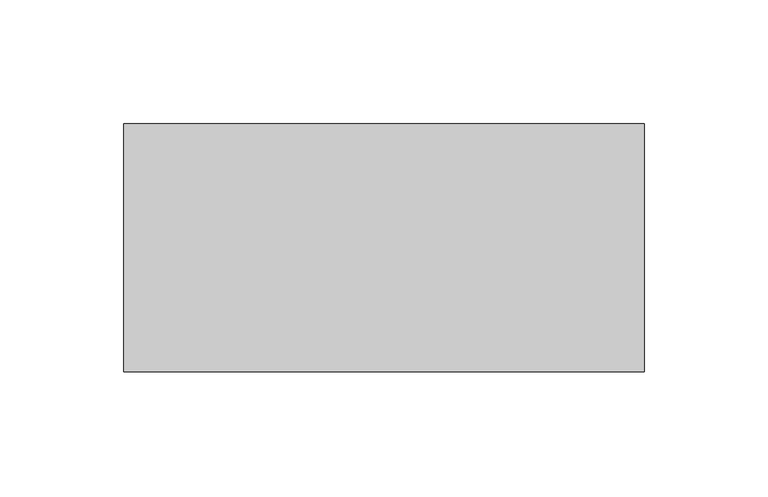
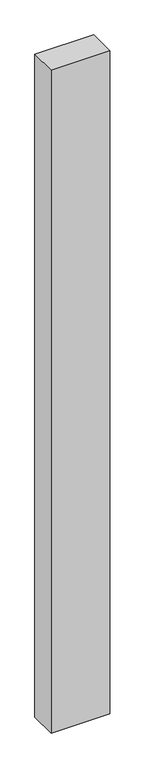
"""IFC4 building model written with IfcOpenShell, lengths in millimetres: proxy geometry."""

import ifcopenshell
import ifcopenshell.guid

model = None  # the IFC model being written
_history = None  # IfcOwnerHistory: only IFC2X3 demands one
_inside = {}  # id of a spatial element -> (the spatial element, [elements in it])
_under = {}  # id of a project, library or spatial element -> (it, [spatial elements below it])
_declared = {}  # id of a project -> (the project, [libraries it declares])
_typed = {}  # id of a type object -> (the type object, [elements of that type])
_made_of = {}  # id of a material, layer set ... -> (it, [elements and type objects made of it])


def new_model(schema):
    """Start an empty IFC model of exactly this schema.

    Asked for "IFC4X3", IfcOpenShell would pick the latest addendum, in which some entities
    have other attributes; the version numbers below select the first issue.
    IFC2X3 requires an IfcOwnerHistory on every rooted entity: one is made here for all.
    """
    global model, _history
    if schema == "IFC4X3":
        model = ifcopenshell.file(schema_version=(4, 3, 0, 0))
    else:
        model = ifcopenshell.file(schema=schema)
    _inside.clear()
    _under.clear()
    _declared.clear()
    _typed.clear()
    _made_of.clear()
    _history = None
    if model.schema == "IFC2X3":
        org = make("IfcOrganization", Name="unknown")
        user = make(
            "IfcPersonAndOrganization",
            ThePerson=make("IfcPerson", FamilyName="unknown"),
            TheOrganization=org,
        )
        app = make(
            "IfcApplication",
            ApplicationDeveloper=org,
            Version="unknown",
            ApplicationFullName="unknown",
            ApplicationIdentifier="unknown",
        )
        _history = make(
            "IfcOwnerHistory",
            OwningUser=user,
            OwningApplication=app,
            ChangeAction="ADDED",
            CreationDate=0,
        )
    return model


def make(cls, **values):
    """One entity of the class cls with the attributes given. An attribute that is None is left unset."""
    return model.create_entity(
        cls, **{name: value for name, value in values.items() if value is not None}
    )


def rooted(cls, **values):
    """An entity with a GlobalId (a new one), such as an element, a storey or a relation."""
    return make(cls, GlobalId=ifcopenshell.guid.new(), OwnerHistory=_history, **values)


def si_unit(unit_type, name, prefix=None):
    """IfcSIUnit, for example si_unit("LENGTHUNIT", "METRE", prefix="MILLI")."""
    return make("IfcSIUnit", UnitType=unit_type, Prefix=prefix, Name=name)


def assignment(units):
    """IfcUnitAssignment: the units of a project."""
    return None if units is None else make("IfcUnitAssignment", Units=units)


def point(xyz):
    """IfcCartesianPoint."""
    return None if xyz is None else make("IfcCartesianPoint", Coordinates=xyz)


def direction(xyz):
    """IfcDirection."""
    return None if xyz is None else make("IfcDirection", DirectionRatios=xyz)


def frame(location, z_axis=None, x_axis=None):
    """IfcAxis2Placement3D, a coordinate frame: its origin and axes. An axis left out is left unset."""
    return make(
        "IfcAxis2Placement3D",
        Location=point(location),
        Axis=direction(z_axis),
        RefDirection=direction(x_axis),
    )


def origin():
    """The frame at (0, 0, 0) with its axes left unset."""
    return frame((0.0, 0.0, 0.0))


def place(relative_to, where):
    """IfcLocalPlacement: puts the frame where relative to a parent placement (None: the world)."""
    return make(
        "IfcLocalPlacement", PlacementRelTo=relative_to, RelativePlacement=where
    )


def context(
    kind, dimensions, precision=None, world=None, true_north=None, identifier=None
):
    """IfcGeometricRepresentationContext, for example the 3D "Model" context."""
    return make(
        "IfcGeometricRepresentationContext",
        ContextIdentifier=identifier,
        ContextType=kind,
        CoordinateSpaceDimension=dimensions,
        Precision=precision,
        WorldCoordinateSystem=world,
        TrueNorth=true_north,
    )


def project(units=None, contexts=None):
    """IfcProject with its units and contexts."""
    return rooted(
        "IfcProject",
        Name="project",
        RepresentationContexts=contexts,
        UnitsInContext=assignment(units),
    )


def spatial(cls, under=None, at=None, **own):
    """A site, building, storey or space (cls), placed at a placement, below another one or the project."""
    s = rooted(cls, ObjectPlacement=at, **own)
    if under is not None:
        _under.setdefault(under.id(), (under, []))[1].append(s)
    return s


def polyline(points):
    """IfcPolyline through the points."""
    return make("IfcPolyline", Points=[point(p) for p in points])


def outline(outer, holes=None, kind="AREA"):
    """IfcArbitraryClosedProfileDef: a profile drawn as a closed curve; with holes, ...WithVoids."""
    if holes is None:
        return make("IfcArbitraryClosedProfileDef", ProfileType=kind, OuterCurve=outer)
    return make(
        "IfcArbitraryProfileDefWithVoids",
        ProfileType=kind,
        OuterCurve=outer,
        InnerCurves=holes,
    )


def extrude(swept, where, along, depth):
    """IfcExtrudedAreaSolid: the profile swept, set in the frame where, extruded along a direction by depth."""
    return make(
        "IfcExtrudedAreaSolid",
        SweptArea=swept,
        Position=where,
        ExtrudedDirection=direction(along),
        Depth=depth,
    )


def shape(context_of_items, identifier, shape_type, items):
    """IfcShapeRepresentation: the items that make up one representation, for example the "Body"."""
    return make(
        "IfcShapeRepresentation",
        ContextOfItems=context_of_items,
        RepresentationIdentifier=identifier,
        RepresentationType=shape_type,
        Items=items,
    )


def source(mapping_origin, context_of_items, identifier, shape_type, items):
    """IfcRepresentationMap: a shape defined once, which mapped items show again and again."""
    return make(
        "IfcRepresentationMap",
        MappingOrigin=mapping_origin,
        MappedRepresentation=shape(context_of_items, identifier, shape_type, items),
    )


def transform(
    local_origin,
    x_axis=None,
    y_axis=None,
    z_axis=None,
    scale=None,
    scale2=None,
    scale3=None,
    uniform=True,
):
    """IfcCartesianTransformationOperator3D, or its non-uniform kind. x_axis, y_axis, z_axis: its Axis1, 2, 3."""
    if uniform:
        return make(
            "IfcCartesianTransformationOperator3D",
            Axis1=direction(x_axis),
            Axis2=direction(y_axis),
            LocalOrigin=point(local_origin),
            Scale=scale,
            Axis3=direction(z_axis),
        )
    return make(
        "IfcCartesianTransformationOperator3DnonUniform",
        Axis1=direction(x_axis),
        Axis2=direction(y_axis),
        LocalOrigin=point(local_origin),
        Scale=scale,
        Axis3=direction(z_axis),
        Scale2=scale2,
        Scale3=scale3,
    )


def mapped(mapping_source, mapping_target):
    """IfcMappedItem: shows the shape of a source again, moved by a transform."""
    return make(
        "IfcMappedItem", MappingSource=mapping_source, MappingTarget=mapping_target
    )


def made_of(thing, what):
    """Note that an element or type object is made of a material, layer set ...; save() writes the relation."""
    if what is not None:
        _made_of.setdefault(what.id(), (what, []))[1].append(thing)
    return thing


def element(
    cls,
    number,
    at=None,
    inside=None,
    cuts=None,
    type_object=None,
    material=None,
    context=None,
    identifier="Body",
    shape_type=None,
    held_by="IfcProductDefinitionShape",
    body=None,
    shapes=None,
    **own,
):
    """One element of the class cls, such as IfcWall. Its Tag is "e" and its number.

    at: its placement. inside: the storey or other place that contains it. cuts: it is an
    opening in that element (IfcRelVoidsElement). A single representation is given by context,
    identifier, shape_type and body (its items); several are given by shapes. held_by: the class
    of the entity that holds the representations. save() writes the other relations.
    """
    e = rooted(cls, Tag="e%d" % number, ObjectPlacement=at, **own)
    if body is not None:
        shapes = [shape(context, identifier, shape_type, body)]
    if shapes is not None:
        e.Representation = make(held_by, Representations=shapes)
    if inside is not None:
        _inside.setdefault(inside.id(), (inside, []))[1].append(e)
    if cuts is not None:
        rooted(
            "IfcRelVoidsElement", RelatingBuildingElement=cuts, RelatedOpeningElement=e
        )
    if type_object is not None:
        _typed.setdefault(type_object.id(), (type_object, []))[1].append(e)
    return made_of(e, material)


def aggregate(whole, parts):
    """IfcRelAggregates: a whole, such as a stair, and the parts it consists of."""
    return rooted("IfcRelAggregates", RelatingObject=whole, RelatedObjects=parts)


def save(model, path):
    """Write the relations noted so far, then the file.

    IfcRelAggregates (storeys below a building ...), IfcRelContainedInSpatialStructure (elements
    in a storey), IfcRelDefinesByType, IfcRelAssociatesMaterial and IfcRelDeclares: one each for
    every whole, place, type object, material and project.
    """
    for whole, parts in _under.values():
        aggregate(whole, parts)
    for where, things in _inside.values():
        rooted(
            "IfcRelContainedInSpatialStructure",
            RelatedElements=things,
            RelatingStructure=where,
        )
    for kind, things in _typed.values():
        rooted("IfcRelDefinesByType", RelatedObjects=things, RelatingType=kind)
    for what, things in _made_of.values():
        rooted("IfcRelAssociatesMaterial", RelatedObjects=things, RelatingMaterial=what)
    for by, libraries in _declared.values():
        rooted("IfcRelDeclares", RelatingContext=by, RelatedDefinitions=libraries)
    model.write(path)


def generic_models_adbda3c0(model_context):
    return source(origin(), model_context, "Body", "SweptSolid", [
        extrude(outline(polyline([(210.0, 100.0), (210.0, 0.0), (0.0, 0.0), (0.0, 100.0), (210.0, 100.0)])), frame((0.0, 0.0, -2500.0), z_axis=(0.0, 0.0, 1.0), x_axis=(1.0, 0.0, 0.0)), (0.0, 0.0, 1.0), 2500.0),
    ])


if __name__ == "__main__":
    model = new_model("IFC4")
    model_context = context("Model", 3, world=origin())
    ifc_project = project(units=[si_unit("LENGTHUNIT", "METRE", prefix="MILLI")], contexts=[model_context])
    site = spatial("IfcSite", under=ifc_project)
    building = spatial("IfcBuilding", under=site)
    placement = place(None, origin())
    generic_models_shape = generic_models_adbda3c0(model_context)
    element("IfcBuildingElementProxy", 1, Name="Generic Models", at=placement, inside=building, context=model_context, shape_type="MappedRepresentation", body=[
        mapped(generic_models_shape, transform((0.0, 0.0, 0.0), x_axis=(1.0, 0.0, 0.0), y_axis=(0.0, 1.0, 0.0), z_axis=(0.0, 0.0, 1.0))),
    ])
    save(model, "model.ifc")
